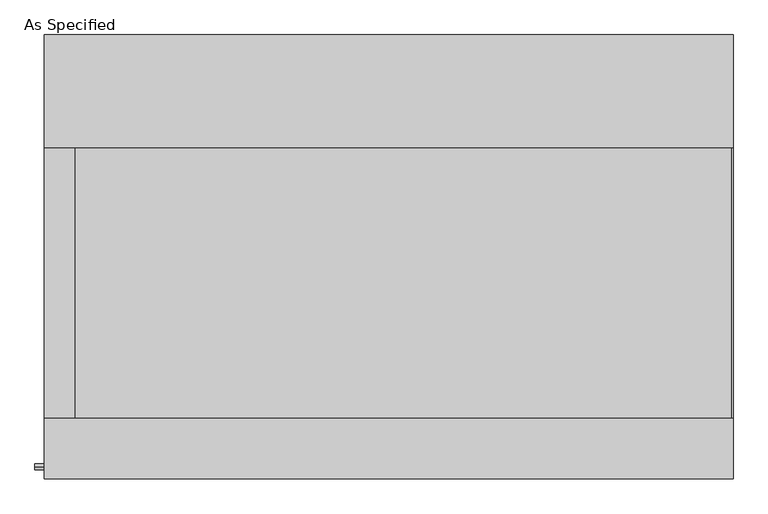
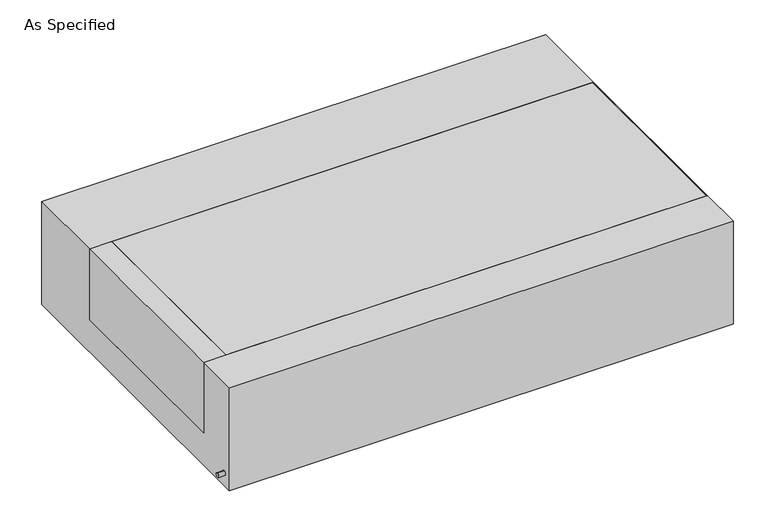
"""IFC4 building model written with IfcOpenShell, lengths in millimetres: proxy geometry, As Specified."""

from ifc_helpers import new_model, si_unit, point, frame, frame_2d, origin, place, context, project, spatial, polyline, circle_curve, trimmed, segment, composite_curve, outline, extrude, source, transform, mapped, element, save


def as_specified_a47e8b2e(model_context):
    return source(origin(), model_context, "Body", "SweptSolid", [
        extrude(outline(composite_curve([segment(trimmed(circle_curve(frame_2d((-712.7875, -466.725)), 10.5), [point((-712.7875, -456.225))], [point((-712.7875, -477.225))], False, "CARTESIAN"), True, "CONTINUOUS"), segment(trimmed(circle_curve(frame_2d((-712.7875, -466.725)), 10.5), [point((-712.7875, -477.225))], [point((-712.7875, -456.225))], False, "CARTESIAN"), True, "CONTINUOUS")], self_intersect=False)), frame((-1198.6528384, 0.0, 0.0), z_axis=(1.0, 0.0, 0.0), x_axis=(0.0, 1.0, 0.0)), (0.0, 0.0, 1.0), 31.8403384),
        extrude(outline(polyline([(-1064.41875, 368.3), (-1064.41875, -546.1), (-1166.8125, -546.1), (-1166.8125, 368.3), (-1064.41875, 368.3)])), frame((0.0, 0.0, -373.0625), z_axis=(0.0, 0.0, 1.0), x_axis=(1.0, 0.0, 0.0)), (0.0, 0.0, 1.0), 347.6625),
        extrude(outline(polyline([(1162.84375, 368.3), (1166.8125, 368.3), (1166.8125, -546.1), (1162.84375, -546.1), (1162.84375, 368.3)])), frame((0.0, 0.0, -39.6875), z_axis=(0.0, 0.0, 1.0), x_axis=(1.0, 0.0, 0.0)), (0.0, 0.0, 1.0), 14.2875),
        extrude(outline(polyline([(1166.8125, 368.3), (1166.8125, -546.1), (-1064.41875, -546.1), (-1064.41875, 368.3), (1166.8125, 368.3)])), frame((0.0, 0.0, -373.0625), z_axis=(0.0, 0.0, 1.0), x_axis=(1.0, 0.0, 0.0)), (0.0, 0.0, 1.0), 347.6625),
        extrude(outline(polyline([(752.475, -25.4), (752.475, -530.225), (-752.475, -530.225), (-752.475, -25.4), (-546.1, -25.4), (-546.1, -373.0625), (368.3, -373.0625), (368.3, -25.4), (752.475, -25.4)])), frame((-1166.8125, 0.0, 0.0), z_axis=(1.0, 0.0, 0.0), x_axis=(0.0, 1.0, 0.0)), (0.0, 0.0, 1.0), 2333.625),
    ])


if __name__ == "__main__":
    model = new_model("IFC4")
    model_context = context("Model", 3, world=origin())
    ifc_project = project(units=[si_unit("LENGTHUNIT", "METRE", prefix="MILLI")], contexts=[model_context])
    site = spatial("IfcSite", under=ifc_project)
    building = spatial("IfcBuilding", under=site)
    placement = place(None, origin())
    as_specified_shape = as_specified_a47e8b2e(model_context)
    element("IfcBuildingElementProxy", 1, Name="As Specified", ObjectType="As Specified", at=placement, inside=building, context=model_context, shape_type="MappedRepresentation", body=[
        mapped(as_specified_shape, transform((0.0, 0.0, 0.0), x_axis=(1.0, 0.0, 0.0), y_axis=(0.0, 1.0, 0.0), z_axis=(0.0, 0.0, 1.0))),
    ])
    save(model, "model.ifc")
